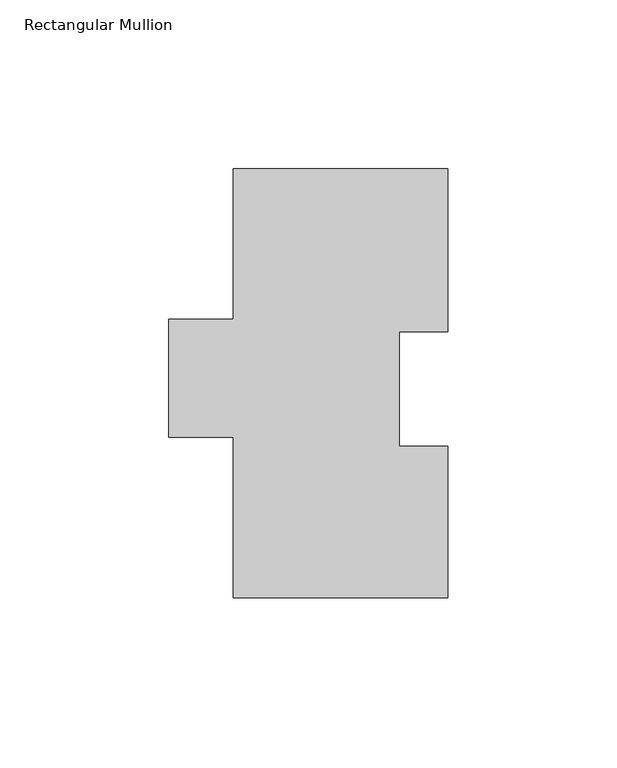
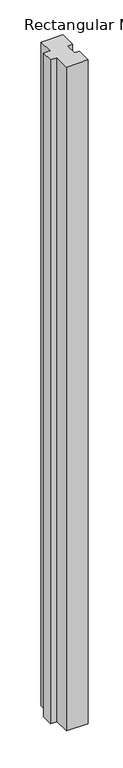
"""IFC4 building model written with IfcOpenShell, lengths in millimetres: member geometry, Rectangular Mullion."""

import ifcopenshell
import ifcopenshell.guid

model = None  # the IFC model being written
_history = None  # IfcOwnerHistory: only IFC2X3 demands one
_inside = {}  # id of a spatial element -> (the spatial element, [elements in it])
_under = {}  # id of a project, library or spatial element -> (it, [spatial elements below it])
_declared = {}  # id of a project -> (the project, [libraries it declares])
_typed = {}  # id of a type object -> (the type object, [elements of that type])
_made_of = {}  # id of a material, layer set ... -> (it, [elements and type objects made of it])


def new_model(schema):
    """Start an empty IFC model of exactly this schema.

    Asked for "IFC4X3", IfcOpenShell would pick the latest addendum, in which some entities
    have other attributes; the version numbers below select the first issue.
    IFC2X3 requires an IfcOwnerHistory on every rooted entity: one is made here for all.
    """
    global model, _history
    if schema == "IFC4X3":
        model = ifcopenshell.file(schema_version=(4, 3, 0, 0))
    else:
        model = ifcopenshell.file(schema=schema)
    _inside.clear()
    _under.clear()
    _declared.clear()
    _typed.clear()
    _made_of.clear()
    _history = None
    if model.schema == "IFC2X3":
        org = make("IfcOrganization", Name="unknown")
        user = make(
            "IfcPersonAndOrganization",
            ThePerson=make("IfcPerson", FamilyName="unknown"),
            TheOrganization=org,
        )
        app = make(
            "IfcApplication",
            ApplicationDeveloper=org,
            Version="unknown",
            ApplicationFullName="unknown",
            ApplicationIdentifier="unknown",
        )
        _history = make(
            "IfcOwnerHistory",
            OwningUser=user,
            OwningApplication=app,
            ChangeAction="ADDED",
            CreationDate=0,
        )
    return model


def make(cls, **values):
    """One entity of the class cls with the attributes given. An attribute that is None is left unset."""
    return model.create_entity(
        cls, **{name: value for name, value in values.items() if value is not None}
    )


def rooted(cls, **values):
    """An entity with a GlobalId (a new one), such as an element, a storey or a relation."""
    return make(cls, GlobalId=ifcopenshell.guid.new(), OwnerHistory=_history, **values)


def si_unit(unit_type, name, prefix=None):
    """IfcSIUnit, for example si_unit("LENGTHUNIT", "METRE", prefix="MILLI")."""
    return make("IfcSIUnit", UnitType=unit_type, Prefix=prefix, Name=name)


def assignment(units):
    """IfcUnitAssignment: the units of a project."""
    return None if units is None else make("IfcUnitAssignment", Units=units)


def point(xyz):
    """IfcCartesianPoint."""
    return None if xyz is None else make("IfcCartesianPoint", Coordinates=xyz)


def direction(xyz):
    """IfcDirection."""
    return None if xyz is None else make("IfcDirection", DirectionRatios=xyz)


def frame(location, z_axis=None, x_axis=None):
    """IfcAxis2Placement3D, a coordinate frame: its origin and axes. An axis left out is left unset."""
    return make(
        "IfcAxis2Placement3D",
        Location=point(location),
        Axis=direction(z_axis),
        RefDirection=direction(x_axis),
    )


def origin():
    """The frame at (0, 0, 0) with its axes left unset."""
    return frame((0.0, 0.0, 0.0))


def place(relative_to, where):
    """IfcLocalPlacement: puts the frame where relative to a parent placement (None: the world)."""
    return make(
        "IfcLocalPlacement", PlacementRelTo=relative_to, RelativePlacement=where
    )


def context(
    kind, dimensions, precision=None, world=None, true_north=None, identifier=None
):
    """IfcGeometricRepresentationContext, for example the 3D "Model" context."""
    return make(
        "IfcGeometricRepresentationContext",
        ContextIdentifier=identifier,
        ContextType=kind,
        CoordinateSpaceDimension=dimensions,
        Precision=precision,
        WorldCoordinateSystem=world,
        TrueNorth=true_north,
    )


def project(units=None, contexts=None):
    """IfcProject with its units and contexts."""
    return rooted(
        "IfcProject",
        Name="project",
        RepresentationContexts=contexts,
        UnitsInContext=assignment(units),
    )


def spatial(cls, under=None, at=None, **own):
    """A site, building, storey or space (cls), placed at a placement, below another one or the project."""
    s = rooted(cls, ObjectPlacement=at, **own)
    if under is not None:
        _under.setdefault(under.id(), (under, []))[1].append(s)
    return s


def polyline(points):
    """IfcPolyline through the points."""
    return make("IfcPolyline", Points=[point(p) for p in points])


def outline(outer, holes=None, kind="AREA"):
    """IfcArbitraryClosedProfileDef: a profile drawn as a closed curve; with holes, ...WithVoids."""
    if holes is None:
        return make("IfcArbitraryClosedProfileDef", ProfileType=kind, OuterCurve=outer)
    return make(
        "IfcArbitraryProfileDefWithVoids",
        ProfileType=kind,
        OuterCurve=outer,
        InnerCurves=holes,
    )


def extrude(swept, where, along, depth):
    """IfcExtrudedAreaSolid: the profile swept, set in the frame where, extruded along a direction by depth."""
    return make(
        "IfcExtrudedAreaSolid",
        SweptArea=swept,
        Position=where,
        ExtrudedDirection=direction(along),
        Depth=depth,
    )


def shape(context_of_items, identifier, shape_type, items):
    """IfcShapeRepresentation: the items that make up one representation, for example the "Body"."""
    return make(
        "IfcShapeRepresentation",
        ContextOfItems=context_of_items,
        RepresentationIdentifier=identifier,
        RepresentationType=shape_type,
        Items=items,
    )


def source(mapping_origin, context_of_items, identifier, shape_type, items):
    """IfcRepresentationMap: a shape defined once, which mapped items show again and again."""
    return make(
        "IfcRepresentationMap",
        MappingOrigin=mapping_origin,
        MappedRepresentation=shape(context_of_items, identifier, shape_type, items),
    )


def transform(
    local_origin,
    x_axis=None,
    y_axis=None,
    z_axis=None,
    scale=None,
    scale2=None,
    scale3=None,
    uniform=True,
):
    """IfcCartesianTransformationOperator3D, or its non-uniform kind. x_axis, y_axis, z_axis: its Axis1, 2, 3."""
    if uniform:
        return make(
            "IfcCartesianTransformationOperator3D",
            Axis1=direction(x_axis),
            Axis2=direction(y_axis),
            LocalOrigin=point(local_origin),
            Scale=scale,
            Axis3=direction(z_axis),
        )
    return make(
        "IfcCartesianTransformationOperator3DnonUniform",
        Axis1=direction(x_axis),
        Axis2=direction(y_axis),
        LocalOrigin=point(local_origin),
        Scale=scale,
        Axis3=direction(z_axis),
        Scale2=scale2,
        Scale3=scale3,
    )


def mapped(mapping_source, mapping_target):
    """IfcMappedItem: shows the shape of a source again, moved by a transform."""
    return make(
        "IfcMappedItem", MappingSource=mapping_source, MappingTarget=mapping_target
    )


def made_of(thing, what):
    """Note that an element or type object is made of a material, layer set ...; save() writes the relation."""
    if what is not None:
        _made_of.setdefault(what.id(), (what, []))[1].append(thing)
    return thing


def element(
    cls,
    number,
    at=None,
    inside=None,
    cuts=None,
    type_object=None,
    material=None,
    context=None,
    identifier="Body",
    shape_type=None,
    held_by="IfcProductDefinitionShape",
    body=None,
    shapes=None,
    **own,
):
    """One element of the class cls, such as IfcWall. Its Tag is "e" and its number.

    at: its placement. inside: the storey or other place that contains it. cuts: it is an
    opening in that element (IfcRelVoidsElement). A single representation is given by context,
    identifier, shape_type and body (its items); several are given by shapes. held_by: the class
    of the entity that holds the representations. save() writes the other relations.
    """
    e = rooted(cls, Tag="e%d" % number, ObjectPlacement=at, **own)
    if body is not None:
        shapes = [shape(context, identifier, shape_type, body)]
    if shapes is not None:
        e.Representation = make(held_by, Representations=shapes)
    if inside is not None:
        _inside.setdefault(inside.id(), (inside, []))[1].append(e)
    if cuts is not None:
        rooted(
            "IfcRelVoidsElement", RelatingBuildingElement=cuts, RelatedOpeningElement=e
        )
    if type_object is not None:
        _typed.setdefault(type_object.id(), (type_object, []))[1].append(e)
    return made_of(e, material)


def aggregate(whole, parts):
    """IfcRelAggregates: a whole, such as a stair, and the parts it consists of."""
    return rooted("IfcRelAggregates", RelatingObject=whole, RelatedObjects=parts)


def save(model, path):
    """Write the relations noted so far, then the file.

    IfcRelAggregates (storeys below a building ...), IfcRelContainedInSpatialStructure (elements
    in a storey), IfcRelDefinesByType, IfcRelAssociatesMaterial and IfcRelDeclares: one each for
    every whole, place, type object, material and project.
    """
    for whole, parts in _under.values():
        aggregate(whole, parts)
    for where, things in _inside.values():
        rooted(
            "IfcRelContainedInSpatialStructure",
            RelatedElements=things,
            RelatingStructure=where,
        )
    for kind, things in _typed.values():
        rooted("IfcRelDefinesByType", RelatedObjects=things, RelatingType=kind)
    for what, things in _made_of.values():
        rooted("IfcRelAssociatesMaterial", RelatedObjects=things, RelatingMaterial=what)
    for by, libraries in _declared.values():
        rooted("IfcRelDeclares", RelatingContext=by, RelatedDefinitions=libraries)
    model.write(path)


def rectangular_mullion_dd3f639f(model_context):
    return source(origin(), model_context, "Body", "SweptSolid", [
        extrude(outline(polyline([(31.75, 127.3857625), (31.75, 79.1765625), (17.46504, 79.1765625), (17.46504, 45.2929625), (31.75, 45.2929625), (31.75, 0.3857625), (-31.75, 0.3857625), (-31.75, 48.0107625), (-50.8, 48.0107625), (-50.8, 82.9357625), (-31.75, 82.9357625), (-31.75, 127.3857625), (31.75, 127.3857625)])), frame((0.0, 0.0, -2044.4591858), z_axis=(0.0, 0.0, 1.0), x_axis=(1.0, 0.0, 0.0)), (0.0, 0.0, 1.0), 2044.4591858),
    ])


if __name__ == "__main__":
    model = new_model("IFC4")
    model_context = context("Model", 3, world=origin())
    ifc_project = project(units=[si_unit("LENGTHUNIT", "METRE", prefix="MILLI")], contexts=[model_context])
    site = spatial("IfcSite", under=ifc_project)
    building = spatial("IfcBuilding", under=site)
    placement = place(None, origin())
    rectangular_mullion_shape = rectangular_mullion_dd3f639f(model_context)
    element("IfcMember", 1, ObjectType="Rectangular Mullion", at=placement, inside=building, context=model_context, shape_type="MappedRepresentation", body=[
        mapped(rectangular_mullion_shape, transform((0.0, 0.0, 0.0), x_axis=(1.0, 0.0, 0.0), y_axis=(0.0, 1.0, 0.0), z_axis=(0.0, 0.0, 1.0))),
    ])
    save(model, "model.ifc")
